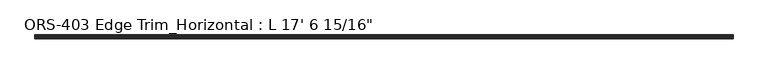
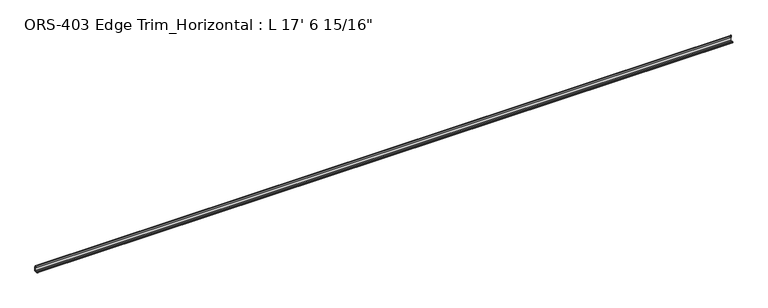
"""IFC4 building model written with IfcOpenShell, lengths in millimetres: proxy geometry."""

from ifc_helpers import new_model, si_unit, point, frame, frame_2d, origin, place, context, project, spatial, polyline, circle_curve, trimmed, segment, composite_curve, outline, extrude, source, transform, mapped, element, save


def proxy_c7bfc9c7(model_context):
    return source(origin(), model_context, "Body", "SweptSolid", [
        extrude(outline(composite_curve([segment(polyline([(19.6849659, 33.4151698), (19.6849659, 0.0), (-8.8900341, 0.0), (-8.8900341, 1.6395301), (-7.4768015, 1.6395301), (-6.695594, 1.3857004), (-5.9143865, 1.6395301), (-5.133179, 1.3857004), (-4.3519716, 1.6395301), (-3.5707641, 1.3857004), (-2.7895566, 1.6395301), (-2.0083491, 1.3857004), (-1.2271416, 1.6395301), (-0.4459342, 1.3857004), (-0.4459342, 4.3039002), (-1.2271416, 4.0500705), (-2.0083491, 4.3039002), (-2.7895566, 4.0500705), (-3.5707641, 4.3039002), (-4.3519716, 4.0500705), (-5.133179, 4.3039002), (-5.9143865, 4.0500705), (-6.695594, 4.3039002), (-7.4768015, 4.0500705), (-8.8900341, 4.0500705), (-8.8900341, 5.6896), (-5.0673341, 5.6896)]), True, "CONTINUOUS"), segment(trimmed(circle_curve(frame_2d((-3.4925341, 5.6896)), 1.5748), [point((-5.0673341, 5.6896))], [point((-1.9177341, 5.6896))], False, "CARTESIAN"), True, "CONTINUOUS"), segment(polyline([(-1.9177341, 5.6896), (1.2699659, 5.6896), (1.2699659, 3.1623)]), True, "CONTINUOUS"), segment(trimmed(circle_curve(frame_2d((2.8574659, 3.1623)), 1.5875), [point((1.2699659, 3.1623))], [point((2.8574659, 1.5748))], True, "CARTESIAN"), True, "CONTINUOUS"), segment(polyline([(2.8574659, 1.5748), (16.5226659, 1.5748)]), True, "CONTINUOUS"), segment(trimmed(circle_curve(frame_2d((16.5226659, 3.1623)), 1.5875), [point((16.5226659, 1.5748))], [point((18.1101659, 3.1623))], True, "CARTESIAN"), True, "CONTINUOUS"), segment(polyline([(18.1101659, 3.1623), (18.1101659, 24.5876618), (18.5286393, 25.3762055), (18.5286393, 26.1600648), (18.1101659, 26.9486086), (18.1101659, 30.5703698)]), True, "CONTINUOUS"), segment(trimmed(circle_curve(frame_2d((16.8401659, 30.5703698)), 1.27), [point((18.1101659, 30.5703698))], [point((16.8401659, 31.8403698))], True, "CARTESIAN"), True, "CONTINUOUS"), segment(polyline([(16.8401659, 31.8403698), (10.1599659, 31.8403698), (10.1599659, 43.9251729)]), True, "CONTINUOUS"), segment(trimmed(circle_curve(frame_2d((11.3526424, 42.8344152)), 1.6162393), [point((10.1599659, 43.9251729))], [point((12.4813352, 43.9912567))], False, "CARTESIAN"), True, "CONTINUOUS"), segment(polyline([(12.4813352, 43.9912567), (14.292309, 33.4151698), (19.6849659, 33.4151698)]), True, "CONTINUOUS")], self_intersect=False)), frame((0.0, 0.0, 0.0), z_axis=(1.0, 0.0, 0.0), x_axis=(0.0, 1.0, 0.0)), (0.0, 0.0, 1.0), 5357.8125),
    ])


if __name__ == "__main__":
    model = new_model("IFC4")
    model_context = context("Model", 3, world=origin())
    ifc_project = project(units=[si_unit("LENGTHUNIT", "METRE", prefix="MILLI")], contexts=[model_context])
    site = spatial("IfcSite", under=ifc_project)
    building = spatial("IfcBuilding", under=site)
    placement = place(None, origin())
    proxy_shape = proxy_c7bfc9c7(model_context)
    element("IfcBuildingElementProxy", 1, Name="ORS-403 Edge Trim_Horizontal : L 17' 6 15/16\"", ObjectType="ORS-403 Edge Trim_Horizontal : L 17' 6 15/16\"", at=placement, inside=building, context=model_context, shape_type="MappedRepresentation", body=[
        mapped(proxy_shape, transform((0.0, 0.0, 0.0), x_axis=(1.0, 0.0, 0.0), y_axis=(0.0, 1.0, 0.0), z_axis=(0.0, 0.0, 1.0))),
    ])
    save(model, "model.ifc")
